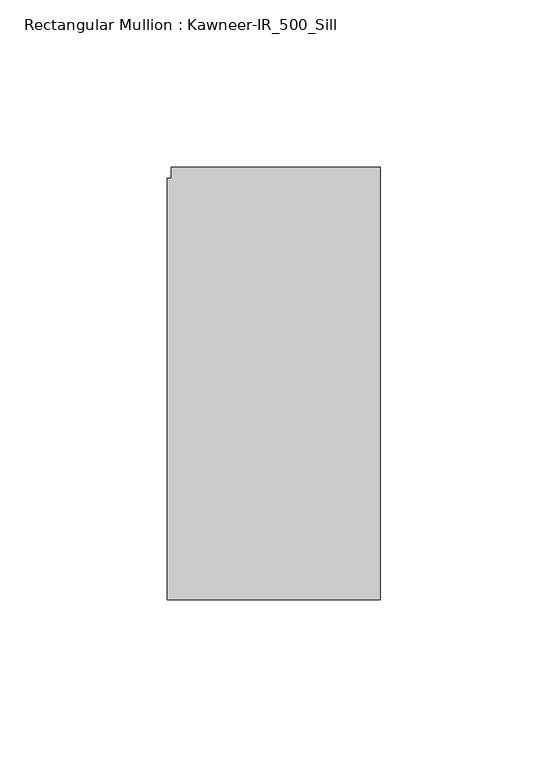
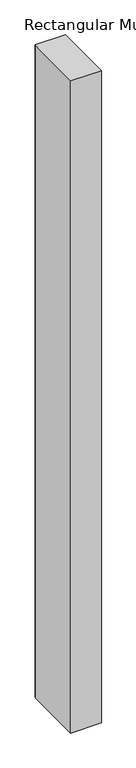
"""IFC4 building model written with IfcOpenShell, lengths in millimetres: member geometry, Rectangular Mullion : Kawneer-IR_500_Sill."""

from ifc_helpers import new_model, si_unit, frame, origin, place, context, project, spatial, polyline, outline, extrude, source, transform, mapped, element, save


def rectangular_mullion_kawneer_ir_500_sill_06575832(model_context):
    return source(origin(), model_context, "Body", "SweptSolid", [
        extrude(outline(polyline([(0.0, 66.1665024), (0.0, -62.8793406), (-63.5, -62.8793406), (-63.5, 62.9014594), (-62.4426488, 62.9014594), (-62.4426488, 66.1665024), (0.0, 66.1665024)])), frame((0.0, 0.0, -1428.5696006), z_axis=(0.0, 0.0, 1.0), x_axis=(1.0, 0.0, 0.0)), (0.0, 0.0, 1.0), 1428.5696006),
    ])


if __name__ == "__main__":
    model = new_model("IFC4")
    model_context = context("Model", 3, world=origin())
    ifc_project = project(units=[si_unit("LENGTHUNIT", "METRE", prefix="MILLI")], contexts=[model_context])
    site = spatial("IfcSite", under=ifc_project)
    building = spatial("IfcBuilding", under=site)
    placement = place(None, origin())
    rectangular_mullion_kawneer_ir_500_sill_shape = rectangular_mullion_kawneer_ir_500_sill_06575832(model_context)
    element("IfcMember", 1, ObjectType="Rectangular Mullion : Kawneer-IR_500_Sill", at=placement, inside=building, context=model_context, shape_type="MappedRepresentation", body=[
        mapped(rectangular_mullion_kawneer_ir_500_sill_shape, transform((0.0, 0.0, 0.0), x_axis=(1.0, 0.0, 0.0), y_axis=(0.0, 1.0, 0.0), z_axis=(0.0, 0.0, 1.0))),
    ])
    save(model, "model.ifc")
